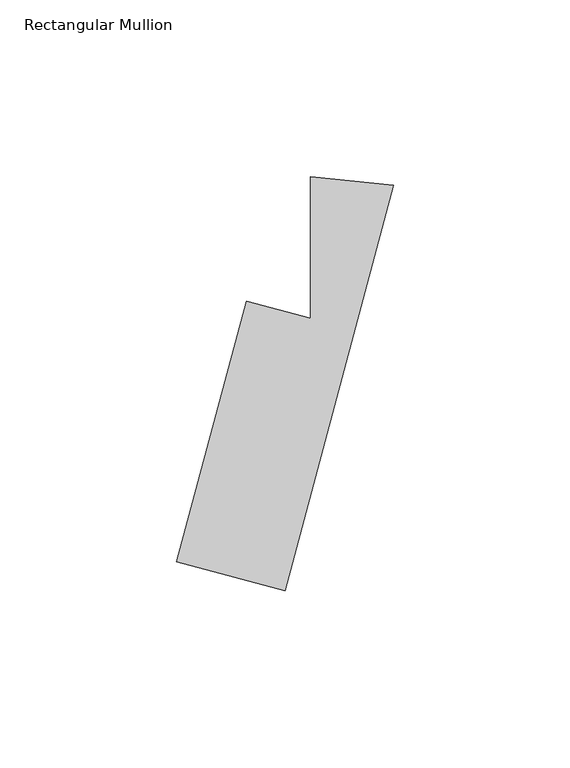
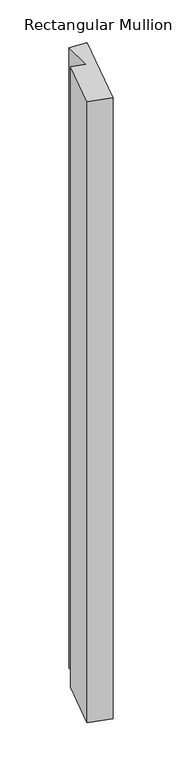
"""IFC4 building model written with IfcOpenShell, lengths in millimetres: member geometry, Rectangular Mullion."""

import ifcopenshell
import ifcopenshell.guid

model = None  # the IFC model being written
_history = None  # IfcOwnerHistory: only IFC2X3 demands one
_inside = {}  # id of a spatial element -> (the spatial element, [elements in it])
_under = {}  # id of a project, library or spatial element -> (it, [spatial elements below it])
_declared = {}  # id of a project -> (the project, [libraries it declares])
_typed = {}  # id of a type object -> (the type object, [elements of that type])
_made_of = {}  # id of a material, layer set ... -> (it, [elements and type objects made of it])


def new_model(schema):
    """Start an empty IFC model of exactly this schema.

    Asked for "IFC4X3", IfcOpenShell would pick the latest addendum, in which some entities
    have other attributes; the version numbers below select the first issue.
    IFC2X3 requires an IfcOwnerHistory on every rooted entity: one is made here for all.
    """
    global model, _history
    if schema == "IFC4X3":
        model = ifcopenshell.file(schema_version=(4, 3, 0, 0))
    else:
        model = ifcopenshell.file(schema=schema)
    _inside.clear()
    _under.clear()
    _declared.clear()
    _typed.clear()
    _made_of.clear()
    _history = None
    if model.schema == "IFC2X3":
        org = make("IfcOrganization", Name="unknown")
        user = make(
            "IfcPersonAndOrganization",
            ThePerson=make("IfcPerson", FamilyName="unknown"),
            TheOrganization=org,
        )
        app = make(
            "IfcApplication",
            ApplicationDeveloper=org,
            Version="unknown",
            ApplicationFullName="unknown",
            ApplicationIdentifier="unknown",
        )
        _history = make(
            "IfcOwnerHistory",
            OwningUser=user,
            OwningApplication=app,
            ChangeAction="ADDED",
            CreationDate=0,
        )
    return model


def make(cls, **values):
    """One entity of the class cls with the attributes given. An attribute that is None is left unset."""
    return model.create_entity(
        cls, **{name: value for name, value in values.items() if value is not None}
    )


def rooted(cls, **values):
    """An entity with a GlobalId (a new one), such as an element, a storey or a relation."""
    return make(cls, GlobalId=ifcopenshell.guid.new(), OwnerHistory=_history, **values)


def si_unit(unit_type, name, prefix=None):
    """IfcSIUnit, for example si_unit("LENGTHUNIT", "METRE", prefix="MILLI")."""
    return make("IfcSIUnit", UnitType=unit_type, Prefix=prefix, Name=name)


def assignment(units):
    """IfcUnitAssignment: the units of a project."""
    return None if units is None else make("IfcUnitAssignment", Units=units)


def point(xyz):
    """IfcCartesianPoint."""
    return None if xyz is None else make("IfcCartesianPoint", Coordinates=xyz)


def direction(xyz):
    """IfcDirection."""
    return None if xyz is None else make("IfcDirection", DirectionRatios=xyz)


def frame(location, z_axis=None, x_axis=None):
    """IfcAxis2Placement3D, a coordinate frame: its origin and axes. An axis left out is left unset."""
    return make(
        "IfcAxis2Placement3D",
        Location=point(location),
        Axis=direction(z_axis),
        RefDirection=direction(x_axis),
    )


def origin():
    """The frame at (0, 0, 0) with its axes left unset."""
    return frame((0.0, 0.0, 0.0))


def place(relative_to, where):
    """IfcLocalPlacement: puts the frame where relative to a parent placement (None: the world)."""
    return make(
        "IfcLocalPlacement", PlacementRelTo=relative_to, RelativePlacement=where
    )


def context(
    kind, dimensions, precision=None, world=None, true_north=None, identifier=None
):
    """IfcGeometricRepresentationContext, for example the 3D "Model" context."""
    return make(
        "IfcGeometricRepresentationContext",
        ContextIdentifier=identifier,
        ContextType=kind,
        CoordinateSpaceDimension=dimensions,
        Precision=precision,
        WorldCoordinateSystem=world,
        TrueNorth=true_north,
    )


def project(units=None, contexts=None):
    """IfcProject with its units and contexts."""
    return rooted(
        "IfcProject",
        Name="project",
        RepresentationContexts=contexts,
        UnitsInContext=assignment(units),
    )


def spatial(cls, under=None, at=None, **own):
    """A site, building, storey or space (cls), placed at a placement, below another one or the project."""
    s = rooted(cls, ObjectPlacement=at, **own)
    if under is not None:
        _under.setdefault(under.id(), (under, []))[1].append(s)
    return s


def polyline(points):
    """IfcPolyline through the points."""
    return make("IfcPolyline", Points=[point(p) for p in points])


def outline(outer, holes=None, kind="AREA"):
    """IfcArbitraryClosedProfileDef: a profile drawn as a closed curve; with holes, ...WithVoids."""
    if holes is None:
        return make("IfcArbitraryClosedProfileDef", ProfileType=kind, OuterCurve=outer)
    return make(
        "IfcArbitraryProfileDefWithVoids",
        ProfileType=kind,
        OuterCurve=outer,
        InnerCurves=holes,
    )


def extrude(swept, where, along, depth):
    """IfcExtrudedAreaSolid: the profile swept, set in the frame where, extruded along a direction by depth."""
    return make(
        "IfcExtrudedAreaSolid",
        SweptArea=swept,
        Position=where,
        ExtrudedDirection=direction(along),
        Depth=depth,
    )


def shape(context_of_items, identifier, shape_type, items):
    """IfcShapeRepresentation: the items that make up one representation, for example the "Body"."""
    return make(
        "IfcShapeRepresentation",
        ContextOfItems=context_of_items,
        RepresentationIdentifier=identifier,
        RepresentationType=shape_type,
        Items=items,
    )


def source(mapping_origin, context_of_items, identifier, shape_type, items):
    """IfcRepresentationMap: a shape defined once, which mapped items show again and again."""
    return make(
        "IfcRepresentationMap",
        MappingOrigin=mapping_origin,
        MappedRepresentation=shape(context_of_items, identifier, shape_type, items),
    )


def transform(
    local_origin,
    x_axis=None,
    y_axis=None,
    z_axis=None,
    scale=None,
    scale2=None,
    scale3=None,
    uniform=True,
):
    """IfcCartesianTransformationOperator3D, or its non-uniform kind. x_axis, y_axis, z_axis: its Axis1, 2, 3."""
    if uniform:
        return make(
            "IfcCartesianTransformationOperator3D",
            Axis1=direction(x_axis),
            Axis2=direction(y_axis),
            LocalOrigin=point(local_origin),
            Scale=scale,
            Axis3=direction(z_axis),
        )
    return make(
        "IfcCartesianTransformationOperator3DnonUniform",
        Axis1=direction(x_axis),
        Axis2=direction(y_axis),
        LocalOrigin=point(local_origin),
        Scale=scale,
        Axis3=direction(z_axis),
        Scale2=scale2,
        Scale3=scale3,
    )


def mapped(mapping_source, mapping_target):
    """IfcMappedItem: shows the shape of a source again, moved by a transform."""
    return make(
        "IfcMappedItem", MappingSource=mapping_source, MappingTarget=mapping_target
    )


def made_of(thing, what):
    """Note that an element or type object is made of a material, layer set ...; save() writes the relation."""
    if what is not None:
        _made_of.setdefault(what.id(), (what, []))[1].append(thing)
    return thing


def element(
    cls,
    number,
    at=None,
    inside=None,
    cuts=None,
    type_object=None,
    material=None,
    context=None,
    identifier="Body",
    shape_type=None,
    held_by="IfcProductDefinitionShape",
    body=None,
    shapes=None,
    **own,
):
    """One element of the class cls, such as IfcWall. Its Tag is "e" and its number.

    at: its placement. inside: the storey or other place that contains it. cuts: it is an
    opening in that element (IfcRelVoidsElement). A single representation is given by context,
    identifier, shape_type and body (its items); several are given by shapes. held_by: the class
    of the entity that holds the representations. save() writes the other relations.
    """
    e = rooted(cls, Tag="e%d" % number, ObjectPlacement=at, **own)
    if body is not None:
        shapes = [shape(context, identifier, shape_type, body)]
    if shapes is not None:
        e.Representation = make(held_by, Representations=shapes)
    if inside is not None:
        _inside.setdefault(inside.id(), (inside, []))[1].append(e)
    if cuts is not None:
        rooted(
            "IfcRelVoidsElement", RelatingBuildingElement=cuts, RelatedOpeningElement=e
        )
    if type_object is not None:
        _typed.setdefault(type_object.id(), (type_object, []))[1].append(e)
    return made_of(e, material)


def aggregate(whole, parts):
    """IfcRelAggregates: a whole, such as a stair, and the parts it consists of."""
    return rooted("IfcRelAggregates", RelatingObject=whole, RelatedObjects=parts)


def save(model, path):
    """Write the relations noted so far, then the file.

    IfcRelAggregates (storeys below a building ...), IfcRelContainedInSpatialStructure (elements
    in a storey), IfcRelDefinesByType, IfcRelAssociatesMaterial and IfcRelDeclares: one each for
    every whole, place, type object, material and project.
    """
    for whole, parts in _under.values():
        aggregate(whole, parts)
    for where, things in _inside.values():
        rooted(
            "IfcRelContainedInSpatialStructure",
            RelatedElements=things,
            RelatingStructure=where,
        )
    for kind, things in _typed.values():
        rooted("IfcRelDefinesByType", RelatedObjects=things, RelatingType=kind)
    for what, things in _made_of.values():
        rooted("IfcRelAssociatesMaterial", RelatedObjects=things, RelatingMaterial=what)
    for by, libraries in _declared.values():
        rooted("IfcRelDeclares", RelatingContext=by, RelatedDefinitions=libraries)
    model.write(path)


def rectangular_mullion_7f16c7c9(model_context):
    return source(origin(), model_context, "Body", "SweptSolid", [
        extrude(outline(polyline([(-42.2911206, -35.1581469), (-24.1479641, -40.019591), (-24.1479641, 0.0535706), (-0.6307704, -2.354067), (-31.3707563, -117.0772565), (-62.0393723, -108.8596257), (-42.2911206, -35.1581469)])), frame((0.0, 0.0, -904.75), z_axis=(0.0, 0.0, 1.0), x_axis=(1.0, 0.0, 0.0)), (0.0, 0.0, 1.0), 904.75),
    ])


if __name__ == "__main__":
    model = new_model("IFC4")
    model_context = context("Model", 3, world=origin())
    ifc_project = project(units=[si_unit("LENGTHUNIT", "METRE", prefix="MILLI")], contexts=[model_context])
    site = spatial("IfcSite", under=ifc_project)
    building = spatial("IfcBuilding", under=site)
    placement = place(None, origin())
    rectangular_mullion_shape = rectangular_mullion_7f16c7c9(model_context)
    element("IfcMember", 1, ObjectType="Rectangular Mullion", at=placement, inside=building, context=model_context, shape_type="MappedRepresentation", body=[
        mapped(rectangular_mullion_shape, transform((0.0, 0.0, 0.0), x_axis=(1.0, 0.0, 0.0), y_axis=(0.0, 1.0, 0.0), z_axis=(0.0, 0.0, 1.0))),
    ])
    save(model, "model.ifc")
